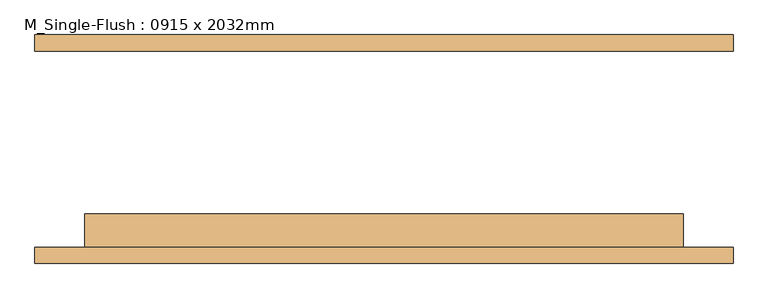
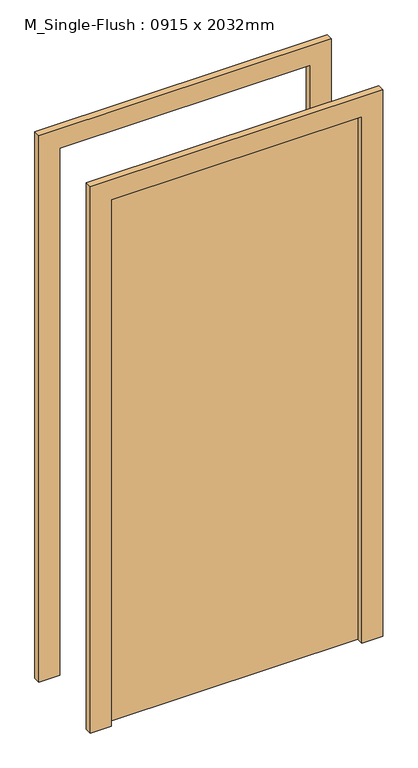
"""IFC4 building model written with IfcOpenShell, lengths in millimetres: door geometry, M_Single-Flush : 0915 x 2032mm."""

from ifc_helpers import new_model, si_unit, frame, origin, origin_with_axes, place, context, project, spatial, polyline, outline, extrude, source, transform, mapped, element, save


def m_single_flush_0915_x_2032mm_5b233852(model_context):
    return source(origin(), model_context, "Body", "SweptSolid", [
        extrude(outline(polyline([(2108.0, -533.5), (0.0, -533.5), (0.0, -457.5), (2032.0, -457.5), (2032.0, 457.5), (0.0, 457.5), (0.0, 533.5), (2108.0, 533.5), (2108.0, -533.5)])), frame((0.0, -175.0, 0.0), z_axis=(0.0, 1.0, 0.0), x_axis=(0.0, 0.0, 1.0)), (0.0, 0.0, 1.0), 25.0),
        extrude(outline(polyline([(2108.0, 533.5), (2108.0, -533.5), (0.0, -533.5), (0.0, -457.5), (2032.0, -457.5), (2032.0, 457.5), (0.0, 457.5), (0.0, 533.5), (2108.0, 533.5)])), frame((0.0, 150.0, 0.0), z_axis=(0.0, 1.0, 0.0), x_axis=(0.0, 0.0, 1.0)), (0.0, 0.0, 1.0), 25.0),
        extrude(outline(polyline([(457.5, -99.0), (457.5, -150.0), (-457.5, -150.0), (-457.5, -99.0), (457.5, -99.0)])), origin_with_axes(), (0.0, 0.0, 1.0), 2032.0),
    ])


if __name__ == "__main__":
    model = new_model("IFC4")
    model_context = context("Model", 3, world=origin())
    ifc_project = project(units=[si_unit("LENGTHUNIT", "METRE", prefix="MILLI")], contexts=[model_context])
    site = spatial("IfcSite", under=ifc_project)
    building = spatial("IfcBuilding", under=site)
    placement = place(None, origin())
    m_single_flush_0915_x_2032mm_shape = m_single_flush_0915_x_2032mm_5b233852(model_context)
    element("IfcDoor", 1, ObjectType="M_Single-Flush : 0915 x 2032mm", at=placement, inside=building, context=model_context, shape_type="MappedRepresentation", body=[
        mapped(m_single_flush_0915_x_2032mm_shape, transform((0.0, 0.0, 0.0), x_axis=(1.0, 0.0, 0.0), y_axis=(0.0, 1.0, 0.0), z_axis=(0.0, 0.0, 1.0))),
    ])
    save(model, "model.ifc")
